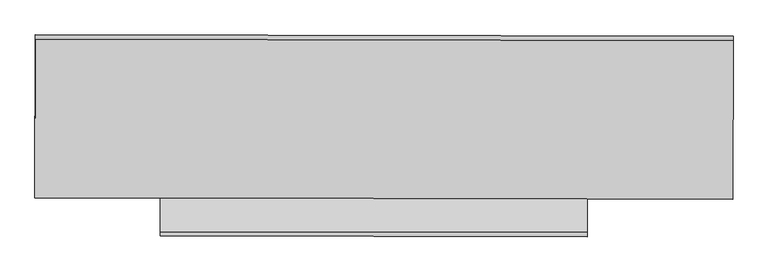
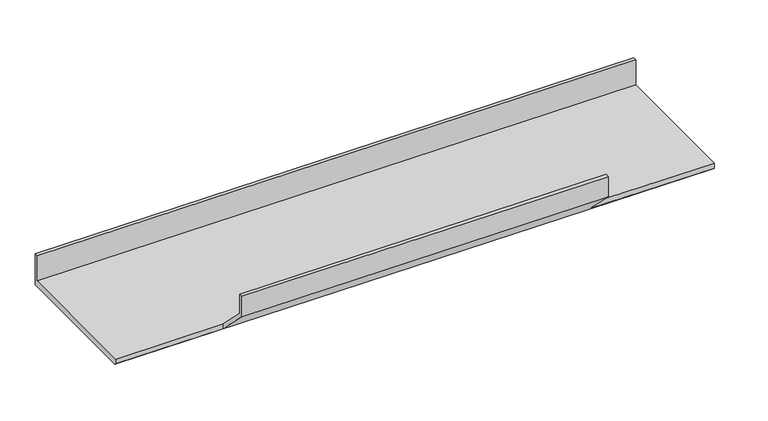
"""IFC4 building model written with IfcOpenShell, lengths in millimetres: proxy geometry."""

import ifcopenshell
import ifcopenshell.guid

model = None  # the IFC model being written
_history = None  # IfcOwnerHistory: only IFC2X3 demands one
_inside = {}  # id of a spatial element -> (the spatial element, [elements in it])
_under = {}  # id of a project, library or spatial element -> (it, [spatial elements below it])
_declared = {}  # id of a project -> (the project, [libraries it declares])
_typed = {}  # id of a type object -> (the type object, [elements of that type])
_made_of = {}  # id of a material, layer set ... -> (it, [elements and type objects made of it])


def new_model(schema):
    """Start an empty IFC model of exactly this schema.

    Asked for "IFC4X3", IfcOpenShell would pick the latest addendum, in which some entities
    have other attributes; the version numbers below select the first issue.
    IFC2X3 requires an IfcOwnerHistory on every rooted entity: one is made here for all.
    """
    global model, _history
    if schema == "IFC4X3":
        model = ifcopenshell.file(schema_version=(4, 3, 0, 0))
    else:
        model = ifcopenshell.file(schema=schema)
    _inside.clear()
    _under.clear()
    _declared.clear()
    _typed.clear()
    _made_of.clear()
    _history = None
    if model.schema == "IFC2X3":
        org = make("IfcOrganization", Name="unknown")
        user = make(
            "IfcPersonAndOrganization",
            ThePerson=make("IfcPerson", FamilyName="unknown"),
            TheOrganization=org,
        )
        app = make(
            "IfcApplication",
            ApplicationDeveloper=org,
            Version="unknown",
            ApplicationFullName="unknown",
            ApplicationIdentifier="unknown",
        )
        _history = make(
            "IfcOwnerHistory",
            OwningUser=user,
            OwningApplication=app,
            ChangeAction="ADDED",
            CreationDate=0,
        )
    return model


def make(cls, **values):
    """One entity of the class cls with the attributes given. An attribute that is None is left unset."""
    return model.create_entity(
        cls, **{name: value for name, value in values.items() if value is not None}
    )


def rooted(cls, **values):
    """An entity with a GlobalId (a new one), such as an element, a storey or a relation."""
    return make(cls, GlobalId=ifcopenshell.guid.new(), OwnerHistory=_history, **values)


def si_unit(unit_type, name, prefix=None):
    """IfcSIUnit, for example si_unit("LENGTHUNIT", "METRE", prefix="MILLI")."""
    return make("IfcSIUnit", UnitType=unit_type, Prefix=prefix, Name=name)


def assignment(units):
    """IfcUnitAssignment: the units of a project."""
    return None if units is None else make("IfcUnitAssignment", Units=units)


def point(xyz):
    """IfcCartesianPoint."""
    return None if xyz is None else make("IfcCartesianPoint", Coordinates=xyz)


def direction(xyz):
    """IfcDirection."""
    return None if xyz is None else make("IfcDirection", DirectionRatios=xyz)


def frame(location, z_axis=None, x_axis=None):
    """IfcAxis2Placement3D, a coordinate frame: its origin and axes. An axis left out is left unset."""
    return make(
        "IfcAxis2Placement3D",
        Location=point(location),
        Axis=direction(z_axis),
        RefDirection=direction(x_axis),
    )


def origin():
    """The frame at (0, 0, 0) with its axes left unset."""
    return frame((0.0, 0.0, 0.0))


def place(relative_to, where):
    """IfcLocalPlacement: puts the frame where relative to a parent placement (None: the world)."""
    return make(
        "IfcLocalPlacement", PlacementRelTo=relative_to, RelativePlacement=where
    )


def context(
    kind, dimensions, precision=None, world=None, true_north=None, identifier=None
):
    """IfcGeometricRepresentationContext, for example the 3D "Model" context."""
    return make(
        "IfcGeometricRepresentationContext",
        ContextIdentifier=identifier,
        ContextType=kind,
        CoordinateSpaceDimension=dimensions,
        Precision=precision,
        WorldCoordinateSystem=world,
        TrueNorth=true_north,
    )


def project(units=None, contexts=None):
    """IfcProject with its units and contexts."""
    return rooted(
        "IfcProject",
        Name="project",
        RepresentationContexts=contexts,
        UnitsInContext=assignment(units),
    )


def spatial(cls, under=None, at=None, **own):
    """A site, building, storey or space (cls), placed at a placement, below another one or the project."""
    s = rooted(cls, ObjectPlacement=at, **own)
    if under is not None:
        _under.setdefault(under.id(), (under, []))[1].append(s)
    return s


def faces_of(points, faces, orient=None, outer=None):
    """IfcFace entities. A face is a list of loops; a loop is a list of indices into points, from 0.

    orient and outer hold one flag for each loop. By default every Orientation is true, the
    first loop of a face is its IfcFaceOuterBound and the others are IfcFaceBound.
    """
    made = []
    for i, loops in enumerate(faces):
        bounds = []
        for j, loop in enumerate(loops):
            is_outer = j == 0 if outer is None else outer[i][j]
            bounds.append(
                make(
                    "IfcFaceOuterBound" if is_outer else "IfcFaceBound",
                    Bound=make("IfcPolyLoop", Polygon=[points[k] for k in loop]),
                    Orientation=True if orient is None else orient[i][j],
                )
            )
        made.append(make("IfcFace", Bounds=bounds))
    return made


def faceted_brep(points, faces, orient=None, outer=None, voids=None):
    """IfcFacetedBrep: a solid bounded by flat faces; with voids (closed shells), ...WithVoids."""
    shared = [point(p) for p in points]
    hull = make("IfcClosedShell", CfsFaces=faces_of(shared, faces, orient, outer))
    if voids is None:
        return make("IfcFacetedBrep", Outer=hull)
    return make(
        "IfcFacetedBrepWithVoids",
        Outer=hull,
        Voids=[
            make(cls, CfsFaces=faces_of(shared, fs, o, b)) for cls, fs, o, b in voids
        ],
    )


def shape(context_of_items, identifier, shape_type, items):
    """IfcShapeRepresentation: the items that make up one representation, for example the "Body"."""
    return make(
        "IfcShapeRepresentation",
        ContextOfItems=context_of_items,
        RepresentationIdentifier=identifier,
        RepresentationType=shape_type,
        Items=items,
    )


def source(mapping_origin, context_of_items, identifier, shape_type, items):
    """IfcRepresentationMap: a shape defined once, which mapped items show again and again."""
    return make(
        "IfcRepresentationMap",
        MappingOrigin=mapping_origin,
        MappedRepresentation=shape(context_of_items, identifier, shape_type, items),
    )


def transform(
    local_origin,
    x_axis=None,
    y_axis=None,
    z_axis=None,
    scale=None,
    scale2=None,
    scale3=None,
    uniform=True,
):
    """IfcCartesianTransformationOperator3D, or its non-uniform kind. x_axis, y_axis, z_axis: its Axis1, 2, 3."""
    if uniform:
        return make(
            "IfcCartesianTransformationOperator3D",
            Axis1=direction(x_axis),
            Axis2=direction(y_axis),
            LocalOrigin=point(local_origin),
            Scale=scale,
            Axis3=direction(z_axis),
        )
    return make(
        "IfcCartesianTransformationOperator3DnonUniform",
        Axis1=direction(x_axis),
        Axis2=direction(y_axis),
        LocalOrigin=point(local_origin),
        Scale=scale,
        Axis3=direction(z_axis),
        Scale2=scale2,
        Scale3=scale3,
    )


def mapped(mapping_source, mapping_target):
    """IfcMappedItem: shows the shape of a source again, moved by a transform."""
    return make(
        "IfcMappedItem", MappingSource=mapping_source, MappingTarget=mapping_target
    )


def made_of(thing, what):
    """Note that an element or type object is made of a material, layer set ...; save() writes the relation."""
    if what is not None:
        _made_of.setdefault(what.id(), (what, []))[1].append(thing)
    return thing


def element(
    cls,
    number,
    at=None,
    inside=None,
    cuts=None,
    type_object=None,
    material=None,
    context=None,
    identifier="Body",
    shape_type=None,
    held_by="IfcProductDefinitionShape",
    body=None,
    shapes=None,
    **own,
):
    """One element of the class cls, such as IfcWall. Its Tag is "e" and its number.

    at: its placement. inside: the storey or other place that contains it. cuts: it is an
    opening in that element (IfcRelVoidsElement). A single representation is given by context,
    identifier, shape_type and body (its items); several are given by shapes. held_by: the class
    of the entity that holds the representations. save() writes the other relations.
    """
    e = rooted(cls, Tag="e%d" % number, ObjectPlacement=at, **own)
    if body is not None:
        shapes = [shape(context, identifier, shape_type, body)]
    if shapes is not None:
        e.Representation = make(held_by, Representations=shapes)
    if inside is not None:
        _inside.setdefault(inside.id(), (inside, []))[1].append(e)
    if cuts is not None:
        rooted(
            "IfcRelVoidsElement", RelatingBuildingElement=cuts, RelatedOpeningElement=e
        )
    if type_object is not None:
        _typed.setdefault(type_object.id(), (type_object, []))[1].append(e)
    return made_of(e, material)


def aggregate(whole, parts):
    """IfcRelAggregates: a whole, such as a stair, and the parts it consists of."""
    return rooted("IfcRelAggregates", RelatingObject=whole, RelatedObjects=parts)


def save(model, path):
    """Write the relations noted so far, then the file.

    IfcRelAggregates (storeys below a building ...), IfcRelContainedInSpatialStructure (elements
    in a storey), IfcRelDefinesByType, IfcRelAssociatesMaterial and IfcRelDeclares: one each for
    every whole, place, type object, material and project.
    """
    for whole, parts in _under.values():
        aggregate(whole, parts)
    for where, things in _inside.values():
        rooted(
            "IfcRelContainedInSpatialStructure",
            RelatedElements=things,
            RelatingStructure=where,
        )
    for kind, things in _typed.values():
        rooted("IfcRelDefinesByType", RelatedObjects=things, RelatingType=kind)
    for what, things in _made_of.values():
        rooted("IfcRelAssociatesMaterial", RelatedObjects=things, RelatingMaterial=what)
    for by, libraries in _declared.values():
        rooted("IfcRelDeclares", RelatingContext=by, RelatedDefinitions=libraries)
    model.write(path)


def generic_models_d734cbf9(model_context):
    return source(origin(), model_context, "Body", "Brep", [
        faceted_brep([(1595.4092668, 112743.3851686, 5934.3825952), (1593.9780232, 112004.0399637, 5934.3860057), (1593.9106243, 112004.0400942, 5906.1016843), (1593.907388, 112011.2788875, 5898.8628646), (1595.3633347, 112763.3851311, 5898.8593952), (1595.789892, 112763.3851311, 6077.8658854), (1595.7511756, 112743.3851686, 6077.8659777), (-1650.466783, 112749.6686549, 5942.1172439), (-1650.1248742, 112749.6686549, 6085.6006264), (-1650.0861577, 112769.6686174, 6085.6005342), (-1650.5127151, 112769.6686174, 5906.594044), (-1651.9686618, 112017.5623738, 5906.5975134), (-1651.9654254, 112010.3235805, 5913.8363331), (-1651.8980265, 112010.32345, 5942.1206545), (-1069.6336508, 112009.1962812, 5940.7331676), (917.3943591, 112005.3497193, 5935.9982475), (-1069.6336508, 111852.2661738, 6097.6641505), (917.3943591, 111848.4196118, 6092.9292304), (-1069.6336508, 111852.26667, 6205.2424498), (917.3943591, 111848.4201081, 6200.5075297), (-1069.6336508, 111832.2666325, 6205.2424498), (917.3943591, 111828.4200706, 6200.5075297), (-1069.6336508, 111832.2660981, 6089.3798557), (917.3943591, 111828.4195361, 6084.6449356), (917.3943591, 112005.3497193, 5907.7137655), (-1069.6336508, 112009.1962812, 5912.4486856)], [[[0, 1, 2, 3, 4, 5, 6]], [[7, 8, 9, 10, 11, 12, 13]], [[1, 0, 7, 13, 14, 15]], [[15, 14, 16, 17]], [[17, 16, 18, 19]], [[19, 18, 20, 21]], [[21, 20, 22, 23]], [[11, 3, 2, 24, 23, 22, 25, 12]], [[4, 3, 11, 10]], [[5, 4, 10, 9]], [[6, 5, 9, 8]], [[0, 6, 8, 7]], [[14, 25, 22, 20, 18, 16]], [[25, 14, 13, 12]], [[15, 24, 2, 1]], [[24, 15, 17, 19, 21, 23]]]),
    ])


if __name__ == "__main__":
    model = new_model("IFC4")
    model_context = context("Model", 3, world=origin())
    ifc_project = project(units=[si_unit("LENGTHUNIT", "METRE", prefix="MILLI")], contexts=[model_context])
    site = spatial("IfcSite", under=ifc_project)
    building = spatial("IfcBuilding", under=site)
    placement = place(None, origin())
    generic_models_shape = generic_models_d734cbf9(model_context)
    element("IfcBuildingElementProxy", 1, Name="Generic Models", at=placement, inside=building, context=model_context, shape_type="MappedRepresentation", body=[
        mapped(generic_models_shape, transform((0.0, 0.0, 0.0), x_axis=(1.0, 0.0, 0.0), y_axis=(0.0, 1.0, 0.0), z_axis=(0.0, 0.0, 1.0))),
    ])
    save(model, "model.ifc")
